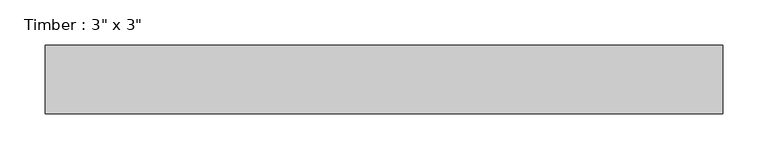
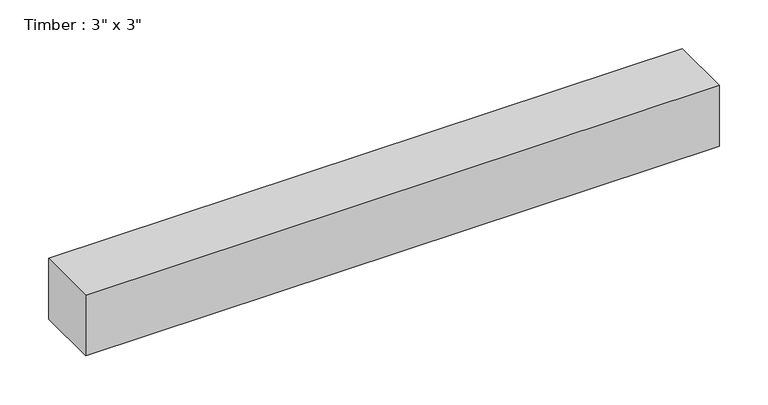
"""IFC4 building model written with IfcOpenShell, lengths in millimetres: beam geometry."""

from ifc_helpers import new_model, si_unit, frame, origin, place, context, project, spatial, polyline, outline, extrude, source, transform, mapped, element, save


def beam_959ffd3c(model_context):
    return source(origin(), model_context, "Body", "SweptSolid", [
        extrude(outline(polyline([(376.2375, 38.1), (376.2375, -38.1), (-376.2375, -38.1), (-376.2375, 38.1), (376.2375, 38.1)])), frame((0.0, 0.0, -38.1), z_axis=(0.0, 0.0, 1.0), x_axis=(1.0, 0.0, 0.0)), (0.0, 0.0, 1.0), 76.2),
    ])


if __name__ == "__main__":
    model = new_model("IFC4")
    model_context = context("Model", 3, world=origin())
    ifc_project = project(units=[si_unit("LENGTHUNIT", "METRE", prefix="MILLI")], contexts=[model_context])
    site = spatial("IfcSite", under=ifc_project)
    building = spatial("IfcBuilding", under=site)
    placement = place(None, origin())
    beam_shape = beam_959ffd3c(model_context)
    element("IfcBeam", 1, ObjectType="Timber : 3\" x 3\"", at=placement, inside=building, context=model_context, shape_type="MappedRepresentation", body=[
        mapped(beam_shape, transform((0.0, 0.0, 0.0), x_axis=(1.0, 0.0, 0.0), y_axis=(0.0, 1.0, 0.0), z_axis=(0.0, 0.0, 1.0))),
    ])
    save(model, "model.ifc")
